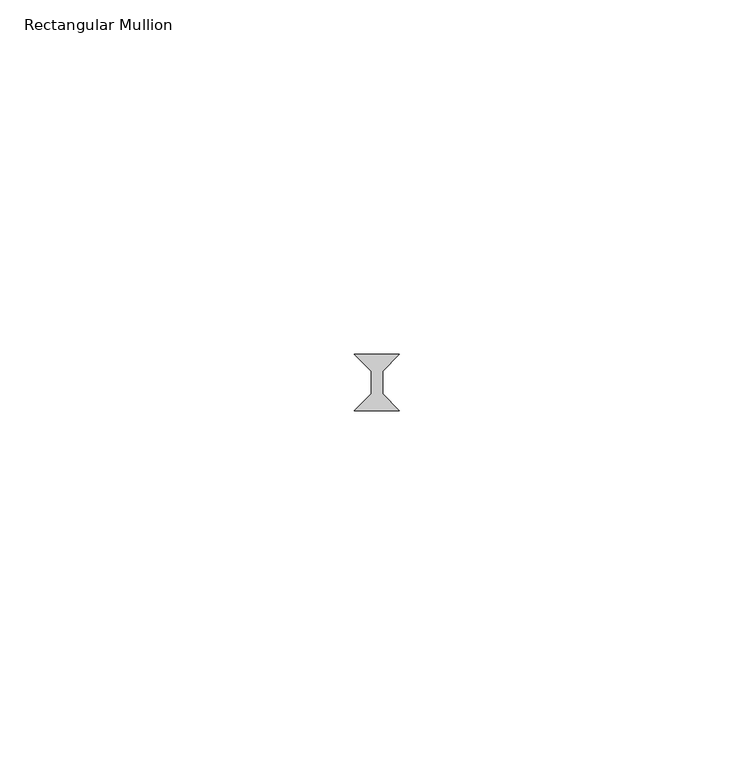
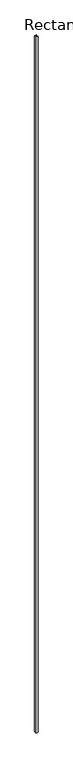
"""IFC4 building model written with IfcOpenShell, lengths in millimetres: member geometry, Rectangular Mullion."""

from ifc_helpers import new_model, si_unit, frame, origin, place, context, project, spatial, polyline, outline, extrude, source, transform, mapped, element, save


def rectangular_mullion_607ceafa(model_context):
    return source(origin(), model_context, "Body", "SweptSolid", [
        extrude(outline(polyline([(3.175, 3.96875), (0.79375, 1.5875), (0.79375, -1.5875), (3.175, -3.96875), (-3.175, -3.96875), (-0.79375, -1.5875), (-0.79375, 1.5875), (-3.175, 3.96875), (3.175, 3.96875)])), frame((0.0, 0.0, -2359.025), z_axis=(0.0, 0.0, 1.0), x_axis=(1.0, 0.0, 0.0)), (0.0, 0.0, 1.0), 2359.025),
    ])


if __name__ == "__main__":
    model = new_model("IFC4")
    model_context = context("Model", 3, world=origin())
    ifc_project = project(units=[si_unit("LENGTHUNIT", "METRE", prefix="MILLI")], contexts=[model_context])
    site = spatial("IfcSite", under=ifc_project)
    building = spatial("IfcBuilding", under=site)
    placement = place(None, origin())
    rectangular_mullion_shape = rectangular_mullion_607ceafa(model_context)
    element("IfcMember", 1, ObjectType="Rectangular Mullion", at=placement, inside=building, context=model_context, shape_type="MappedRepresentation", body=[
        mapped(rectangular_mullion_shape, transform((0.0, 0.0, 0.0), x_axis=(1.0, 0.0, 0.0), y_axis=(0.0, 1.0, 0.0), z_axis=(0.0, 0.0, 1.0))),
    ])
    save(model, "model.ifc")
